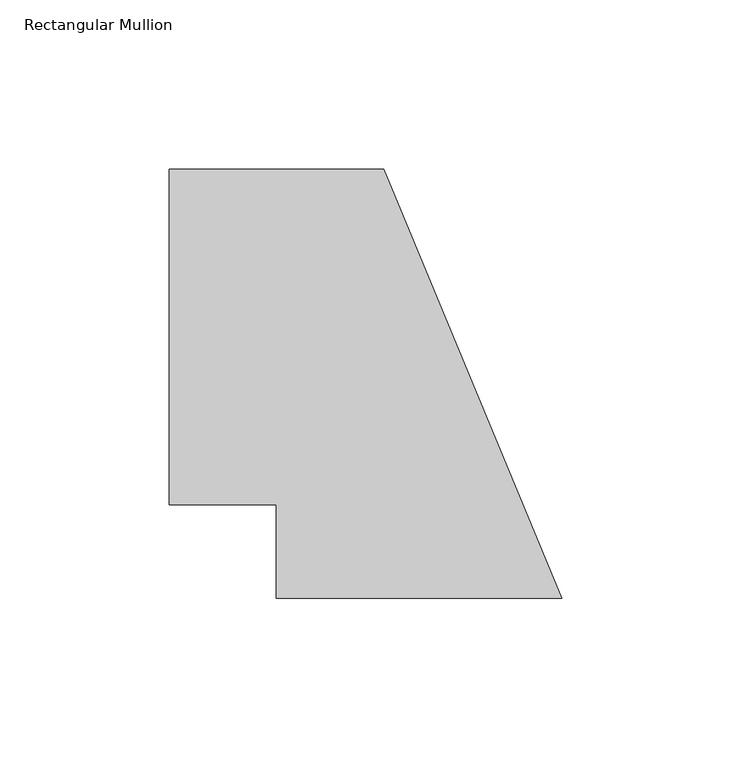
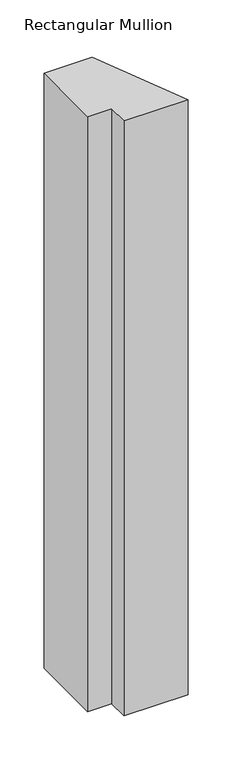
"""IFC4 building model written with IfcOpenShell, lengths in millimetres: member geometry, Rectangular Mullion."""

from ifc_helpers import new_model, si_unit, frame, origin, place, context, project, spatial, polyline, outline, extrude, source, transform, mapped, element, save


def rectangular_mullion_67e15d65(model_context):
    return source(origin(), model_context, "Body", "SweptSolid", [
        extrude(outline(polyline([(-57.4447956, 138.6840047), (-4.8396732, 11.6840047), (-89.1947956, 11.6840047), (-89.1947956, 39.3700047), (-120.9447956, 39.3700047), (-120.9447956, 138.6840047), (-57.4447956, 138.6840047)])), frame((0.0, 0.0, -825.4909101), z_axis=(0.0, 0.0, 1.0), x_axis=(1.0, 0.0, 0.0)), (0.0, 0.0, 1.0), 825.4909101),
    ])


if __name__ == "__main__":
    model = new_model("IFC4")
    model_context = context("Model", 3, world=origin())
    ifc_project = project(units=[si_unit("LENGTHUNIT", "METRE", prefix="MILLI")], contexts=[model_context])
    site = spatial("IfcSite", under=ifc_project)
    building = spatial("IfcBuilding", under=site)
    placement = place(None, origin())
    rectangular_mullion_shape = rectangular_mullion_67e15d65(model_context)
    element("IfcMember", 1, ObjectType="Rectangular Mullion", at=placement, inside=building, context=model_context, shape_type="MappedRepresentation", body=[
        mapped(rectangular_mullion_shape, transform((0.0, 0.0, 0.0), x_axis=(1.0, 0.0, 0.0), y_axis=(0.0, 1.0, 0.0), z_axis=(0.0, 0.0, 1.0))),
    ])
    save(model, "model.ifc")
